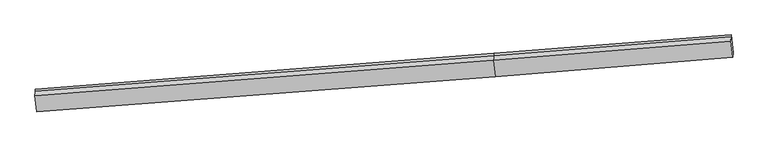
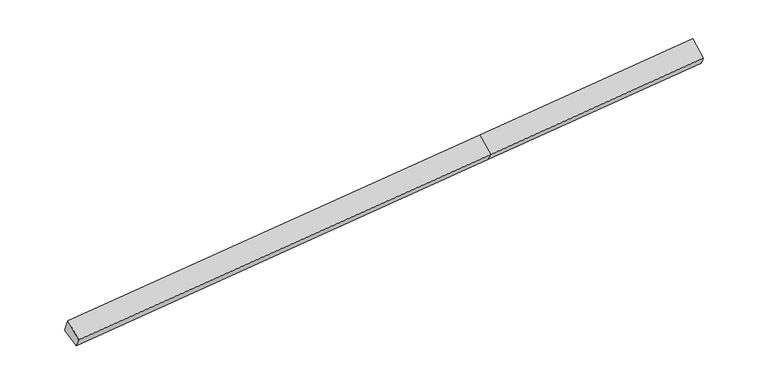
"""IFC4 building model written with IfcOpenShell, lengths in millimetres: proxy geometry."""

from ifc_helpers import new_model, si_unit, frame, origin, place, context, project, spatial, source, transform, mapped, element, save
from ifc_brep_helpers import plane_surface, spline_surface, advanced_brep


def generic_models_97d37b18(model_context):
    return source(origin(), model_context, "Body", "AdvancedBrep", [
        advanced_brep(
        [(-13657.3922503, -2422.6712365, 1059.8714437), (-13663.189472, -2500.4399155, 1260.0064431), (2578.8177959, -1231.1451512, 2223.7054166), (2584.6150175, -1153.3764722, 2023.5704171), (-13591.5117302, -3068.4080118, 810.8586665), (2649.5479094, -1789.8249412, 1778.1394507), (-13599.2921078, -3227.78179, 1152.289198), (2645.3541302, -1978.0871403, 2097.7160247), (-13671.2541313, -2652.6269958, 1596.6847289), (2573.3921067, -1402.9323461, 2542.1115556), (11057.8642785, -1296.822559, 2584.6593048), (11062.5145671, -1135.4372222, 2293.0219866), (10996.7967223, -498.5184701, 2550.9851683), (10991.5842571, -568.4427475, 2730.9328721), (10985.9022551, -721.6677649, 3029.0548357)],
        [
            (0, 1),
            (1, 2),
            (2, 3),
            (3, 0),
            (4, 0),
            (0, 5),
            (5, 4),
            (6, 4),
            (5, 7),
            (7, 6),
            (8, 6),
            (7, 9),
            (9, 8),
            (1, 8),
            (9, 2),
            (10, 11),
            (11, 12),
            (12, 13),
            (13, 14),
            (14, 10),
            (3, 5),
            (5, 11),
            (10, 7),
            (3, 12),
            (2, 13),
            (9, 14),
        ],
        [
            plane_surface(frame((-13660.2908612, -2461.555576, 1159.9389434), z_axis=(-0.09384814554893267, 0.9289024984584546, 0.35823550066215837), x_axis=(-0.026989935832781725, -0.36206510239229767, 0.9317619894551384))),
            plane_surface(frame((-13624.4519903, -2745.5396241, 935.3650551), z_axis=(0.026989935832782114, 0.36206510239228923, -0.9317619894551419), x_axis=(-0.09476283035050673, 0.9288306214052918, 0.3581810753289748))),
            spline_surface(1, 1, [[(-13599.2921078, -3227.78179, 1152.289198), (2645.3541302, -1978.0871403, 2097.7160247)], [(-13591.5117302, -3068.4080118, 810.8586665), (2649.5479094, -1789.8249412, 1778.1394507)]], [2, 2], [2, 2], [0.0, 1.0], [0.0, 1.0]),
            plane_surface(frame((-13635.2731195, -2940.2043929, 1374.4869634), z_axis=(0.0009724820483766605, -0.6113346098411613, 0.791371625147769), x_axis=(0.09852553225165049, -0.7874630190345798, -0.6084362851995878))),
            spline_surface(1, 1, [[(-13663.189472, -2500.4399155, 1260.0064431), (2578.8177959, -1231.1451512, 2223.7054166)], [(-13671.2541313, -2652.6269958, 1596.6847289), (2573.3921067, -1402.9323461, 2542.1115556)]], [2, 2], [2, 2], [0.0, 1.0], [0.0, 1.0]),
            plane_surface(frame((11018.932416, -844.1777527, 2637.7308335), z_axis=(0.9951339353814161, 0.07862911909413776, 0.05937939274508991), x_axis=(0.01395035938901378, 0.4841384373333527, -0.8748801980667621))),
            plane_surface(frame((-13636.5279383, -2774.3855899, 1175.942096), z_axis=(-0.9951339353814154, -0.07862911909413937, -0.0593793927450988), x_axis=(0.026989935832789275, 0.3620651023922981, -0.931761989455138))),
            plane_surface(frame((-13657.3922503, -2422.6712365, 1059.8714437), z_axis=(0.026989935832781427, 0.3620651023923012, -0.9317619894551371), x_axis=(-0.09476283035050631, 0.9288306214052872, 0.3581810753289869))),
            spline_surface(1, 1, [[(2645.3541302, -1978.0871403, 2097.7160247), (11057.8642785, -1296.822559, 2584.6593048)], [(2649.5479094, -1789.8249412, 1778.1394507), (11062.5145671, -1135.4372222, 2293.0219866)]], [2, 2], [2, 2], [0.0, 1.0], [0.0, 1.0]),
            spline_surface(1, 1, [[(2649.5479094, -1789.8249412, 1778.1394507), (11062.5145671, -1135.4372222, 2293.0219866)], [(2584.6150175, -1153.3764722, 2023.5704171), (10996.7967223, -498.5184701, 2550.9851683)]], [2, 2], [2, 2], [0.0, 1.0], [0.0, 1.0]),
            plane_surface(frame((2581.7164067, -1192.2608117, 2123.6379169), z_axis=(-0.09476283035053515, 0.9288306214052874, 0.3581810753289788), x_axis=(-0.026989935832786555, -0.3620651023922952, 0.9317619894551392))),
            spline_surface(1, 1, [[(2578.8177959, -1231.1451512, 2223.7054166), (10991.5842571, -568.4427475, 2730.9328721)], [(2573.3921067, -1402.9323461, 2542.1115556), (10985.9022551, -721.6677649, 3029.0548357)]], [2, 2], [2, 2], [0.0, 1.0], [0.0, 1.0]),
            plane_surface(frame((2609.3731185, -1690.5097432, 2319.9137901), z_axis=(0.003673521960503849, -0.6111191209470973, 0.7915301164512016), x_axis=(0.09852553225164681, -0.787463019034586, -0.6084362851995803))),
        ],
        [
            (0, [[1, 2, 3, 4]]),
            (1, [[5, 6, 7]]),
            (2, [[8, -7, 9, 10]]),
            (3, [[11, -10, 12, 13]]),
            (4, [[14, -13, 15, -2]]),
            (5, [[16, 17, 18, 19, 20]]),
            (6, [[-1, -5, -8, -11, -14]]),
            (7, [[21, -6, -4]]),
            (8, [[-9, 22, -16, 23]]),
            (9, [[-21, 24, -17, -22]]),
            (10, [[-3, 25, -18, -24]]),
            (11, [[-15, 26, -19, -25]]),
            (12, [[-12, -23, -20, -26]]),
        ],
    ),
    ])


if __name__ == "__main__":
    model = new_model("IFC4")
    model_context = context("Model", 3, world=origin())
    ifc_project = project(units=[si_unit("LENGTHUNIT", "METRE", prefix="MILLI")], contexts=[model_context])
    site = spatial("IfcSite", under=ifc_project)
    building = spatial("IfcBuilding", under=site)
    placement = place(None, origin())
    generic_models_shape = generic_models_97d37b18(model_context)
    element("IfcBuildingElementProxy", 1, Name="Generic Models", at=placement, inside=building, context=model_context, shape_type="MappedRepresentation", body=[
        mapped(generic_models_shape, transform((0.0, 0.0, 0.0), x_axis=(1.0, 0.0, 0.0), y_axis=(0.0, 1.0, 0.0), z_axis=(0.0, 0.0, 1.0))),
    ])
    save(model, "model.ifc")
